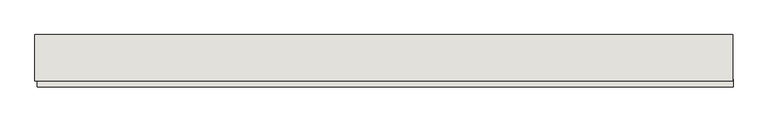
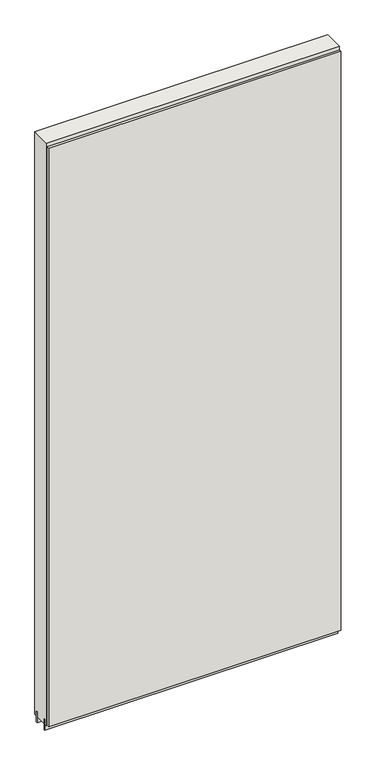
"""IFC4 building model written with IfcOpenShell, lengths in millimetres: wall geometry."""

import ifcopenshell
import ifcopenshell.guid

model = None  # the IFC model being written
_history = None  # IfcOwnerHistory: only IFC2X3 demands one
_inside = {}  # id of a spatial element -> (the spatial element, [elements in it])
_under = {}  # id of a project, library or spatial element -> (it, [spatial elements below it])
_declared = {}  # id of a project -> (the project, [libraries it declares])
_typed = {}  # id of a type object -> (the type object, [elements of that type])
_made_of = {}  # id of a material, layer set ... -> (it, [elements and type objects made of it])


def new_model(schema):
    """Start an empty IFC model of exactly this schema.

    Asked for "IFC4X3", IfcOpenShell would pick the latest addendum, in which some entities
    have other attributes; the version numbers below select the first issue.
    IFC2X3 requires an IfcOwnerHistory on every rooted entity: one is made here for all.
    """
    global model, _history
    if schema == "IFC4X3":
        model = ifcopenshell.file(schema_version=(4, 3, 0, 0))
    else:
        model = ifcopenshell.file(schema=schema)
    _inside.clear()
    _under.clear()
    _declared.clear()
    _typed.clear()
    _made_of.clear()
    _history = None
    if model.schema == "IFC2X3":
        org = make("IfcOrganization", Name="unknown")
        user = make(
            "IfcPersonAndOrganization",
            ThePerson=make("IfcPerson", FamilyName="unknown"),
            TheOrganization=org,
        )
        app = make(
            "IfcApplication",
            ApplicationDeveloper=org,
            Version="unknown",
            ApplicationFullName="unknown",
            ApplicationIdentifier="unknown",
        )
        _history = make(
            "IfcOwnerHistory",
            OwningUser=user,
            OwningApplication=app,
            ChangeAction="ADDED",
            CreationDate=0,
        )
    return model


def make(cls, **values):
    """One entity of the class cls with the attributes given. An attribute that is None is left unset."""
    return model.create_entity(
        cls, **{name: value for name, value in values.items() if value is not None}
    )


def rooted(cls, **values):
    """An entity with a GlobalId (a new one), such as an element, a storey or a relation."""
    return make(cls, GlobalId=ifcopenshell.guid.new(), OwnerHistory=_history, **values)


def si_unit(unit_type, name, prefix=None):
    """IfcSIUnit, for example si_unit("LENGTHUNIT", "METRE", prefix="MILLI")."""
    return make("IfcSIUnit", UnitType=unit_type, Prefix=prefix, Name=name)


def assignment(units):
    """IfcUnitAssignment: the units of a project."""
    return None if units is None else make("IfcUnitAssignment", Units=units)


def point(xyz):
    """IfcCartesianPoint."""
    return None if xyz is None else make("IfcCartesianPoint", Coordinates=xyz)


def direction(xyz):
    """IfcDirection."""
    return None if xyz is None else make("IfcDirection", DirectionRatios=xyz)


def frame(location, z_axis=None, x_axis=None):
    """IfcAxis2Placement3D, a coordinate frame: its origin and axes. An axis left out is left unset."""
    return make(
        "IfcAxis2Placement3D",
        Location=point(location),
        Axis=direction(z_axis),
        RefDirection=direction(x_axis),
    )


def origin():
    """The frame at (0, 0, 0) with its axes left unset."""
    return frame((0.0, 0.0, 0.0))


def place(relative_to, where):
    """IfcLocalPlacement: puts the frame where relative to a parent placement (None: the world)."""
    return make(
        "IfcLocalPlacement", PlacementRelTo=relative_to, RelativePlacement=where
    )


def context(
    kind, dimensions, precision=None, world=None, true_north=None, identifier=None
):
    """IfcGeometricRepresentationContext, for example the 3D "Model" context."""
    return make(
        "IfcGeometricRepresentationContext",
        ContextIdentifier=identifier,
        ContextType=kind,
        CoordinateSpaceDimension=dimensions,
        Precision=precision,
        WorldCoordinateSystem=world,
        TrueNorth=true_north,
    )


def project(units=None, contexts=None):
    """IfcProject with its units and contexts."""
    return rooted(
        "IfcProject",
        Name="project",
        RepresentationContexts=contexts,
        UnitsInContext=assignment(units),
    )


def spatial(cls, under=None, at=None, **own):
    """A site, building, storey or space (cls), placed at a placement, below another one or the project."""
    s = rooted(cls, ObjectPlacement=at, **own)
    if under is not None:
        _under.setdefault(under.id(), (under, []))[1].append(s)
    return s


def polyline(points):
    """IfcPolyline through the points."""
    return make("IfcPolyline", Points=[point(p) for p in points])


def outline(outer, holes=None, kind="AREA"):
    """IfcArbitraryClosedProfileDef: a profile drawn as a closed curve; with holes, ...WithVoids."""
    if holes is None:
        return make("IfcArbitraryClosedProfileDef", ProfileType=kind, OuterCurve=outer)
    return make(
        "IfcArbitraryProfileDefWithVoids",
        ProfileType=kind,
        OuterCurve=outer,
        InnerCurves=holes,
    )


def extrude(swept, where, along, depth):
    """IfcExtrudedAreaSolid: the profile swept, set in the frame where, extruded along a direction by depth."""
    return make(
        "IfcExtrudedAreaSolid",
        SweptArea=swept,
        Position=where,
        ExtrudedDirection=direction(along),
        Depth=depth,
    )


def shape(context_of_items, identifier, shape_type, items):
    """IfcShapeRepresentation: the items that make up one representation, for example the "Body"."""
    return make(
        "IfcShapeRepresentation",
        ContextOfItems=context_of_items,
        RepresentationIdentifier=identifier,
        RepresentationType=shape_type,
        Items=items,
    )


def source(mapping_origin, context_of_items, identifier, shape_type, items):
    """IfcRepresentationMap: a shape defined once, which mapped items show again and again."""
    return make(
        "IfcRepresentationMap",
        MappingOrigin=mapping_origin,
        MappedRepresentation=shape(context_of_items, identifier, shape_type, items),
    )


def transform(
    local_origin,
    x_axis=None,
    y_axis=None,
    z_axis=None,
    scale=None,
    scale2=None,
    scale3=None,
    uniform=True,
):
    """IfcCartesianTransformationOperator3D, or its non-uniform kind. x_axis, y_axis, z_axis: its Axis1, 2, 3."""
    if uniform:
        return make(
            "IfcCartesianTransformationOperator3D",
            Axis1=direction(x_axis),
            Axis2=direction(y_axis),
            LocalOrigin=point(local_origin),
            Scale=scale,
            Axis3=direction(z_axis),
        )
    return make(
        "IfcCartesianTransformationOperator3DnonUniform",
        Axis1=direction(x_axis),
        Axis2=direction(y_axis),
        LocalOrigin=point(local_origin),
        Scale=scale,
        Axis3=direction(z_axis),
        Scale2=scale2,
        Scale3=scale3,
    )


def mapped(mapping_source, mapping_target):
    """IfcMappedItem: shows the shape of a source again, moved by a transform."""
    return make(
        "IfcMappedItem", MappingSource=mapping_source, MappingTarget=mapping_target
    )


def made_of(thing, what):
    """Note that an element or type object is made of a material, layer set ...; save() writes the relation."""
    if what is not None:
        _made_of.setdefault(what.id(), (what, []))[1].append(thing)
    return thing


def element(
    cls,
    number,
    at=None,
    inside=None,
    cuts=None,
    type_object=None,
    material=None,
    context=None,
    identifier="Body",
    shape_type=None,
    held_by="IfcProductDefinitionShape",
    body=None,
    shapes=None,
    **own,
):
    """One element of the class cls, such as IfcWall. Its Tag is "e" and its number.

    at: its placement. inside: the storey or other place that contains it. cuts: it is an
    opening in that element (IfcRelVoidsElement). A single representation is given by context,
    identifier, shape_type and body (its items); several are given by shapes. held_by: the class
    of the entity that holds the representations. save() writes the other relations.
    """
    e = rooted(cls, Tag="e%d" % number, ObjectPlacement=at, **own)
    if body is not None:
        shapes = [shape(context, identifier, shape_type, body)]
    if shapes is not None:
        e.Representation = make(held_by, Representations=shapes)
    if inside is not None:
        _inside.setdefault(inside.id(), (inside, []))[1].append(e)
    if cuts is not None:
        rooted(
            "IfcRelVoidsElement", RelatingBuildingElement=cuts, RelatedOpeningElement=e
        )
    if type_object is not None:
        _typed.setdefault(type_object.id(), (type_object, []))[1].append(e)
    return made_of(e, material)


def aggregate(whole, parts):
    """IfcRelAggregates: a whole, such as a stair, and the parts it consists of."""
    return rooted("IfcRelAggregates", RelatingObject=whole, RelatedObjects=parts)


def save(model, path):
    """Write the relations noted so far, then the file.

    IfcRelAggregates (storeys below a building ...), IfcRelContainedInSpatialStructure (elements
    in a storey), IfcRelDefinesByType, IfcRelAssociatesMaterial and IfcRelDeclares: one each for
    every whole, place, type object, material and project.
    """
    for whole, parts in _under.values():
        aggregate(whole, parts)
    for where, things in _inside.values():
        rooted(
            "IfcRelContainedInSpatialStructure",
            RelatedElements=things,
            RelatingStructure=where,
        )
    for kind, things in _typed.values():
        rooted("IfcRelDefinesByType", RelatedObjects=things, RelatingType=kind)
    for what, things in _made_of.values():
        rooted("IfcRelAssociatesMaterial", RelatedObjects=things, RelatingMaterial=what)
    for by, libraries in _declared.values():
        rooted("IfcRelDeclares", RelatingContext=by, RelatedDefinitions=libraries)
    model.write(path)


def wall_11b7aa5d(model_context):
    return source(origin(), model_context, "Body", "SweptSolid", [
        extrude(outline(polyline([(55114.168918, -47669.4636398), (55116.708918, -47669.4636398), (55116.708918, -47672.0036398), (55114.168918, -47672.0036398), (55114.168918, -47669.4636398)])), frame((0.0, 0.0, 4419.6), z_axis=(0.0, 0.0, 1.0), x_axis=(1.0, 0.0, 0.0)), (0.0, 0.0, 1.0), 2.54),
        extrude(outline(polyline([(55117.1782338, -47721.5336398), (53901.9782258, -47721.5336398), (53901.9782258, -47708.8336398), (55117.1782338, -47708.8336398), (55117.1782338, -47721.5336398)])), frame((0.0, 0.0, 4445.0), z_axis=(0.0, 0.0, 1.0), x_axis=(1.0, 0.0, 0.0)), (0.0, 0.0, 1.0), 2545.0498756),
        extrude(outline(polyline([(53897.503965, -47695.8142856), (55116.703965, -47695.8142856), (55116.703965, -47700.8961398), (53897.503965, -47700.8961398), (53897.503965, -47695.8142856)])), frame((0.0, 0.0, 4418.6602), z_axis=(0.0, 0.0, 1.0), x_axis=(1.0, 0.0, 0.0)), (0.0, 0.0, 1.0), 47.625),
        extrude(outline(polyline([(53897.503965, -47695.8142856), (55116.703965, -47695.8142856), (55116.703965, -47700.8961398), (53897.503965, -47700.8961398), (53897.503965, -47695.8142856)])), frame((0.0, 0.0, 4418.6602), z_axis=(0.0, 0.0, 1.0), x_axis=(1.0, 0.0, 0.0)), (0.0, 0.0, 1.0), 47.625),
        extrude(outline(polyline([(55116.703965, -47645.6498952), (53897.503965, -47645.6498952), (53897.503965, -47640.5711398), (55116.703965, -47640.5711398), (55116.703965, -47645.6498952)])), frame((0.0, 0.0, 4418.6602), z_axis=(0.0, 0.0, 1.0), x_axis=(1.0, 0.0, 0.0)), (0.0, 0.0, 1.0), 47.625),
        extrude(outline(polyline([(55116.703965, -47645.6498952), (53897.503965, -47645.6498952), (53897.503965, -47640.5711398), (55116.703965, -47640.5711398), (55116.703965, -47645.6498952)])), frame((0.0, 0.0, 4418.6602), z_axis=(0.0, 0.0, 1.0), x_axis=(1.0, 0.0, 0.0)), (0.0, 0.0, 1.0), 47.625),
        extrude(outline(polyline([(53897.503965, -47711.3854254), (53897.503965, -47630.10667), (55116.703965, -47630.10667), (55116.703965, -47711.3854254), (53897.503965, -47711.3854254)])), frame((0.0, 0.0, 4445.0), z_axis=(0.0, 0.0, 1.0), x_axis=(1.0, 0.0, 0.0)), (0.0, 0.0, 1.0), 2562.4536762),
    ])


if __name__ == "__main__":
    model = new_model("IFC4")
    model_context = context("Model", 3, world=origin())
    ifc_project = project(units=[si_unit("LENGTHUNIT", "METRE", prefix="MILLI")], contexts=[model_context])
    site = spatial("IfcSite", under=ifc_project)
    building = spatial("IfcBuilding", under=site)
    placement = place(None, origin())
    wall_shape = wall_11b7aa5d(model_context)
    element("IfcWall", 1, at=placement, inside=building, context=model_context, shape_type="MappedRepresentation", body=[
        mapped(wall_shape, transform((0.0, 0.0, 0.0), x_axis=(1.0, 0.0, 0.0), y_axis=(0.0, 1.0, 0.0), z_axis=(0.0, 0.0, 1.0))),
    ])
    save(model, "model.ifc")
